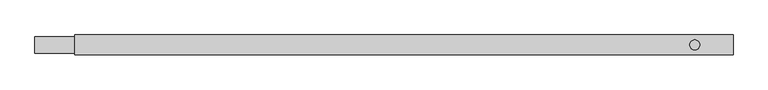
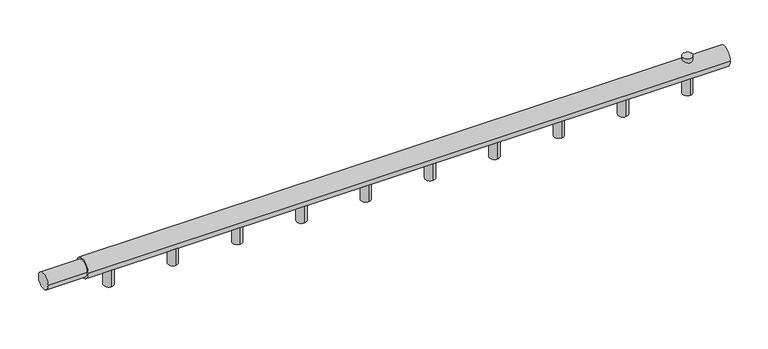
"""IFC4 building model written with IfcOpenShell, lengths in millimetres: proxy geometry."""

from ifc_helpers import new_model, si_unit, point, frame, frame_2d, origin, origin_with_axes, origin_2d, place, context, project, spatial, circle_curve, trimmed, segment, composite_curve, outline, extrude, source, transform, mapped, element, save


def mechanical_equipment_e3e08b06(model_context):
    return source(origin(), model_context, "Body", "SweptSolid", [
        extrude(outline(composite_curve([segment(trimmed(circle_curve(frame_2d((987.7272727, 0.0)), 7.5), [point((980.2272727, 0.0))], [point((995.2272727, 0.0))], False, "CARTESIAN"), True, "CONTINUOUS"), segment(trimmed(circle_curve(frame_2d((987.7272727, 0.0)), 7.5), [point((995.2272727, 0.0))], [point((980.2272727, 0.0))], False, "CARTESIAN"), True, "CONTINUOUS")], self_intersect=False)), origin_with_axes(), (0.0, 0.0, 1.0), 20.0),
        extrude(outline(composite_curve([segment(trimmed(circle_curve(origin_2d(), 12.5), [point((-12.5, 0.0))], [point((12.5, 0.0))], False, "CARTESIAN"), True, "CONTINUOUS"), segment(trimmed(circle_curve(origin_2d(), 12.5), [point((12.5, 0.0))], [point((-12.5, 0.0))], False, "CARTESIAN"), True, "CONTINUOUS")], self_intersect=False)), frame((0.0, 0.0, 0.0), z_axis=(1.0, 0.0, 0.0), x_axis=(0.0, 1.0, 0.0)), (0.0, 0.0, 1.0), 60.0),
        extrude(outline(composite_curve([segment(trimmed(circle_curve(origin_2d(), 15.0), [point((-15.0, 0.0))], [point((15.0, 0.0))], False, "CARTESIAN"), True, "CONTINUOUS"), segment(trimmed(circle_curve(origin_2d(), 15.0), [point((15.0, 0.0))], [point((-15.0, 0.0))], False, "CARTESIAN"), True, "CONTINUOUS")], self_intersect=False)), frame((60.0, 0.0, 0.0), z_axis=(1.0, 0.0, 0.0), x_axis=(0.0, 1.0, 0.0)), (0.0, 0.0, 1.0), 985.0),
        extrude(outline(composite_curve([segment(trimmed(circle_curve(frame_2d((987.7272727, 0.0)), 7.5), [point((987.7272727, 7.5))], [point((987.7272727, -7.5))], False, "CARTESIAN"), True, "CONTINUOUS"), segment(trimmed(circle_curve(frame_2d((987.7272727, 0.0)), 7.5), [point((987.7272727, -7.5))], [point((987.7272727, 7.5))], False, "CARTESIAN"), True, "CONTINUOUS")], self_intersect=False)), frame((0.0, 0.0, -40.0), z_axis=(0.0, 0.0, 1.0), x_axis=(1.0, 0.0, 0.0)), (0.0, 0.0, 1.0), 40.0),
        extrude(outline(composite_curve([segment(trimmed(circle_curve(frame_2d((889.0909091, 0.0)), 7.5), [point((889.0909091, 7.5))], [point((889.0909091, -7.5))], False, "CARTESIAN"), True, "CONTINUOUS"), segment(trimmed(circle_curve(frame_2d((889.0909091, 0.0)), 7.5), [point((889.0909091, -7.5))], [point((889.0909091, 7.5))], False, "CARTESIAN"), True, "CONTINUOUS")], self_intersect=False)), frame((0.0, 0.0, -40.0), z_axis=(0.0, 0.0, 1.0), x_axis=(1.0, 0.0, 0.0)), (0.0, 0.0, 1.0), 40.0),
        extrude(outline(composite_curve([segment(trimmed(circle_curve(frame_2d((790.4545455, 0.0)), 7.5), [point((790.4545455, 7.5))], [point((790.4545455, -7.5))], False, "CARTESIAN"), True, "CONTINUOUS"), segment(trimmed(circle_curve(frame_2d((790.4545455, 0.0)), 7.5), [point((790.4545455, -7.5))], [point((790.4545455, 7.5))], False, "CARTESIAN"), True, "CONTINUOUS")], self_intersect=False)), frame((0.0, 0.0, -40.0), z_axis=(0.0, 0.0, 1.0), x_axis=(1.0, 0.0, 0.0)), (0.0, 0.0, 1.0), 40.0),
        extrude(outline(composite_curve([segment(trimmed(circle_curve(frame_2d((691.8181818, 0.0)), 7.5), [point((691.8181818, 7.5))], [point((691.8181818, -7.5))], False, "CARTESIAN"), True, "CONTINUOUS"), segment(trimmed(circle_curve(frame_2d((691.8181818, 0.0)), 7.5), [point((691.8181818, -7.5))], [point((691.8181818, 7.5))], False, "CARTESIAN"), True, "CONTINUOUS")], self_intersect=False)), frame((0.0, 0.0, -40.0), z_axis=(0.0, 0.0, 1.0), x_axis=(1.0, 0.0, 0.0)), (0.0, 0.0, 1.0), 40.0),
        extrude(outline(composite_curve([segment(trimmed(circle_curve(frame_2d((593.1818182, 0.0)), 7.5), [point((593.1818182, 7.5))], [point((593.1818182, -7.5))], False, "CARTESIAN"), True, "CONTINUOUS"), segment(trimmed(circle_curve(frame_2d((593.1818182, 0.0)), 7.5), [point((593.1818182, -7.5))], [point((593.1818182, 7.5))], False, "CARTESIAN"), True, "CONTINUOUS")], self_intersect=False)), frame((0.0, 0.0, -40.0), z_axis=(0.0, 0.0, 1.0), x_axis=(1.0, 0.0, 0.0)), (0.0, 0.0, 1.0), 40.0),
        extrude(outline(composite_curve([segment(trimmed(circle_curve(frame_2d((494.5454545, 0.0)), 7.5), [point((494.5454545, 7.5))], [point((494.5454545, -7.5))], False, "CARTESIAN"), True, "CONTINUOUS"), segment(trimmed(circle_curve(frame_2d((494.5454545, 0.0)), 7.5), [point((494.5454545, -7.5))], [point((494.5454545, 7.5))], False, "CARTESIAN"), True, "CONTINUOUS")], self_intersect=False)), frame((0.0, 0.0, -40.0), z_axis=(0.0, 0.0, 1.0), x_axis=(1.0, 0.0, 0.0)), (0.0, 0.0, 1.0), 40.0),
        extrude(outline(composite_curve([segment(trimmed(circle_curve(frame_2d((395.9090909, 0.0)), 7.5), [point((395.9090909, 7.5))], [point((395.9090909, -7.5))], False, "CARTESIAN"), True, "CONTINUOUS"), segment(trimmed(circle_curve(frame_2d((395.9090909, 0.0)), 7.5), [point((395.9090909, -7.5))], [point((395.9090909, 7.5))], False, "CARTESIAN"), True, "CONTINUOUS")], self_intersect=False)), frame((0.0, 0.0, -40.0), z_axis=(0.0, 0.0, 1.0), x_axis=(1.0, 0.0, 0.0)), (0.0, 0.0, 1.0), 40.0),
        extrude(outline(composite_curve([segment(trimmed(circle_curve(frame_2d((297.2727273, 0.0)), 7.5), [point((297.2727273, 7.5))], [point((297.2727273, -7.5))], False, "CARTESIAN"), True, "CONTINUOUS"), segment(trimmed(circle_curve(frame_2d((297.2727273, 0.0)), 7.5), [point((297.2727273, -7.5))], [point((297.2727273, 7.5))], False, "CARTESIAN"), True, "CONTINUOUS")], self_intersect=False)), frame((0.0, 0.0, -40.0), z_axis=(0.0, 0.0, 1.0), x_axis=(1.0, 0.0, 0.0)), (0.0, 0.0, 1.0), 40.0),
        extrude(outline(composite_curve([segment(trimmed(circle_curve(frame_2d((198.6363636, 0.0)), 7.5), [point((198.6363636, 7.5))], [point((198.6363636, -7.5))], False, "CARTESIAN"), True, "CONTINUOUS"), segment(trimmed(circle_curve(frame_2d((198.6363636, 0.0)), 7.5), [point((198.6363636, -7.5))], [point((198.6363636, 7.5))], False, "CARTESIAN"), True, "CONTINUOUS")], self_intersect=False)), frame((0.0, 0.0, -40.0), z_axis=(0.0, 0.0, 1.0), x_axis=(1.0, 0.0, 0.0)), (0.0, 0.0, 1.0), 40.0),
        extrude(outline(composite_curve([segment(trimmed(circle_curve(frame_2d((100.0, 0.0)), 7.5), [point((100.0, 7.5))], [point((100.0, -7.5))], False, "CARTESIAN"), True, "CONTINUOUS"), segment(trimmed(circle_curve(frame_2d((100.0, 0.0)), 7.5), [point((100.0, -7.5))], [point((100.0, 7.5))], False, "CARTESIAN"), True, "CONTINUOUS")], self_intersect=False)), frame((0.0, 0.0, -40.0), z_axis=(0.0, 0.0, 1.0), x_axis=(1.0, 0.0, 0.0)), (0.0, 0.0, 1.0), 40.0),
    ])


if __name__ == "__main__":
    model = new_model("IFC4")
    model_context = context("Model", 3, world=origin())
    ifc_project = project(units=[si_unit("LENGTHUNIT", "METRE", prefix="MILLI")], contexts=[model_context])
    site = spatial("IfcSite", under=ifc_project)
    building = spatial("IfcBuilding", under=site)
    placement = place(None, origin())
    mechanical_equipment_shape = mechanical_equipment_e3e08b06(model_context)
    element("IfcBuildingElementProxy", 1, Name="Mechanical Equipment", at=placement, inside=building, context=model_context, shape_type="MappedRepresentation", body=[
        mapped(mechanical_equipment_shape, transform((0.0, 0.0, 0.0), x_axis=(1.0, 0.0, 0.0), y_axis=(0.0, 1.0, 0.0), z_axis=(0.0, 0.0, 1.0))),
    ])
    save(model, "model.ifc")
